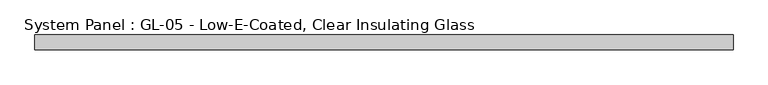
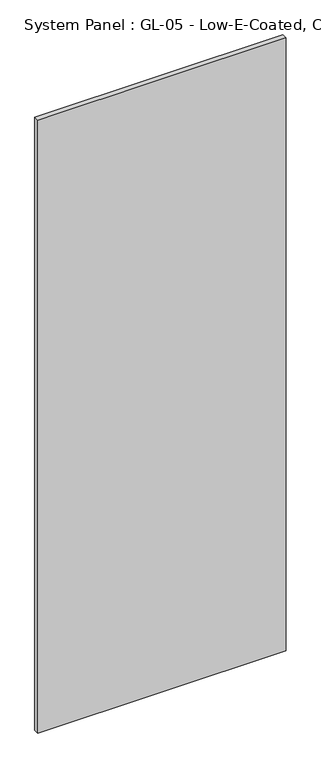
"""IFC4 building model written with IfcOpenShell, lengths in millimetres: plate geometry, System Panel : GL-05 - Low-E-Coated, Clear Insulating Glass."""

from ifc_helpers import new_model, si_unit, origin, origin_with_axes, place, context, project, spatial, polyline, outline, extrude, source, transform, mapped, element, save


def system_panel_gl_05_low_e_coated_clear_insulating_glass_4052a4e9(model_context):
    return source(origin(), model_context, "Body", "SweptSolid", [
        extrude(outline(polyline([(603.25, -12.7), (-603.25, -12.7), (-603.25, 12.7), (603.25, 12.7), (603.25, -12.7)])), origin_with_axes(), (0.0, 0.0, 1.0), 3149.6),
    ])


if __name__ == "__main__":
    model = new_model("IFC4")
    model_context = context("Model", 3, world=origin())
    ifc_project = project(units=[si_unit("LENGTHUNIT", "METRE", prefix="MILLI")], contexts=[model_context])
    site = spatial("IfcSite", under=ifc_project)
    building = spatial("IfcBuilding", under=site)
    placement = place(None, origin())
    system_panel_gl_05_low_e_coated_clear_insulating_glass_shape = system_panel_gl_05_low_e_coated_clear_insulating_glass_4052a4e9(model_context)
    element("IfcPlate", 1, ObjectType="System Panel : GL-05 - Low-E-Coated, Clear Insulating Glass", at=placement, inside=building, context=model_context, shape_type="MappedRepresentation", body=[
        mapped(system_panel_gl_05_low_e_coated_clear_insulating_glass_shape, transform((0.0, 0.0, 0.0), x_axis=(1.0, 0.0, 0.0), y_axis=(0.0, 1.0, 0.0), z_axis=(0.0, 0.0, 1.0))),
    ])
    save(model, "model.ifc")
